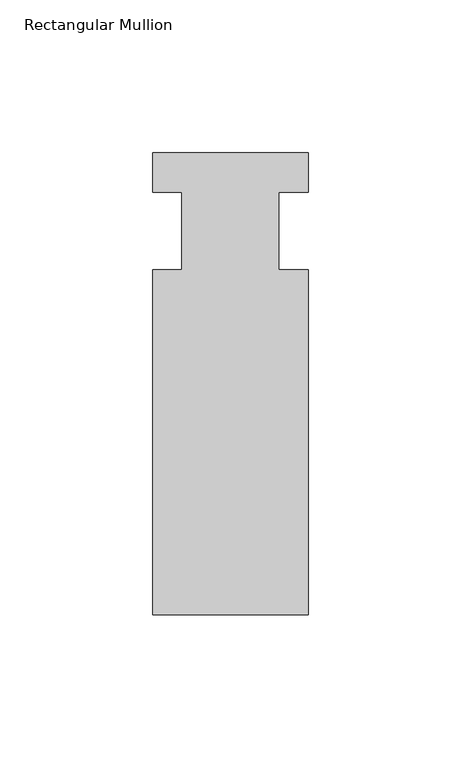
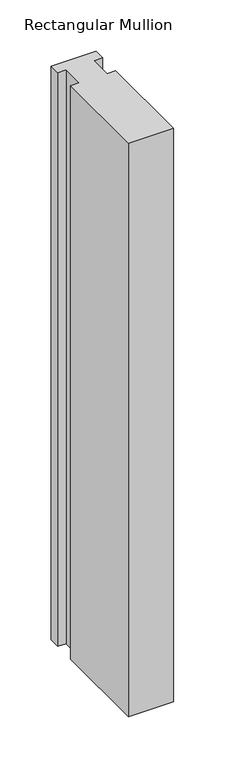
"""IFC4 building model written with IfcOpenShell, lengths in millimetres: member geometry, Rectangular Mullion."""

from ifc_helpers import new_model, si_unit, frame, origin, place, context, project, spatial, polyline, outline, extrude, source, transform, mapped, element, save


def rectangular_mullion_a9e6d8e5(model_context):
    return source(origin(), model_context, "Body", "SweptSolid", [
        extrude(outline(polyline([(-25.4, 25.5984375), (25.4, 25.5984375), (25.4, 12.7), (15.875, 12.7), (15.875, -12.7), (25.4, -12.7), (25.4, -125.6109375), (-25.4, -125.6109375), (-25.4, -12.7), (-15.875, -12.7), (-15.875, 12.7), (-25.4, 12.7), (-25.4, 25.5984375)])), frame((0.0, 0.0, -683.3886596), z_axis=(0.0, 0.0, 1.0), x_axis=(1.0, 0.0, 0.0)), (0.0, 0.0, 1.0), 683.3886596),
    ])


if __name__ == "__main__":
    model = new_model("IFC4")
    model_context = context("Model", 3, world=origin())
    ifc_project = project(units=[si_unit("LENGTHUNIT", "METRE", prefix="MILLI")], contexts=[model_context])
    site = spatial("IfcSite", under=ifc_project)
    building = spatial("IfcBuilding", under=site)
    placement = place(None, origin())
    rectangular_mullion_shape = rectangular_mullion_a9e6d8e5(model_context)
    element("IfcMember", 1, ObjectType="Rectangular Mullion", at=placement, inside=building, context=model_context, shape_type="MappedRepresentation", body=[
        mapped(rectangular_mullion_shape, transform((0.0, 0.0, 0.0), x_axis=(1.0, 0.0, 0.0), y_axis=(0.0, 1.0, 0.0), z_axis=(0.0, 0.0, 1.0))),
    ])
    save(model, "model.ifc")
